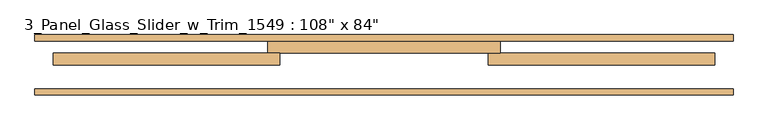
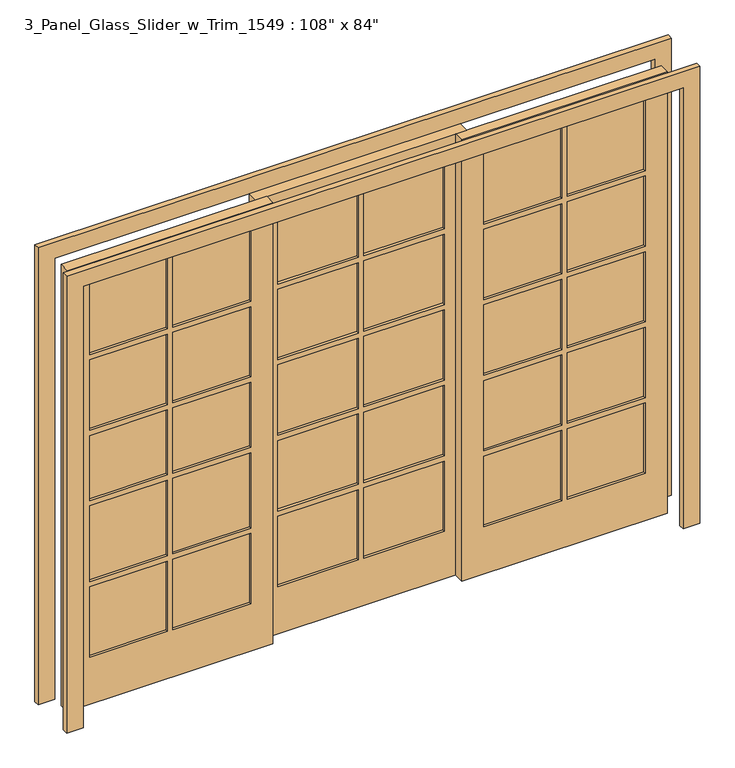
"""IFC4 building model written with IfcOpenShell, lengths in millimetres: door geometry."""

from ifc_helpers import new_model, si_unit, frame, origin, place, context, project, spatial, polyline, outline, extrude, source, transform, mapped, element, save


def door_32f54f40(model_context):
    return source(origin(), model_context, "Body", "SweptSolid", [
        extrude(outline(polyline([(-889.0, 163.2293121), (-533.4, 163.2293121), (-533.4, 138.6534681), (-889.0, 138.6534681), (-889.0, 163.2293121)])), frame((0.0, 0.0, 1691.64), z_axis=(0.0, 0.0, 1.0), x_axis=(1.0, 0.0, 0.0)), (0.0, 0.0, 1.0), 340.36),
        extrude(outline(polyline([(-889.0, 163.2293121), (-533.4, 163.2293121), (-533.4, 138.6534681), (-889.0, 138.6534681), (-889.0, 163.2293121)])), frame((0.0, 0.0, 1325.88), z_axis=(0.0, 0.0, 1.0), x_axis=(1.0, 0.0, 0.0)), (0.0, 0.0, 1.0), 340.36),
        extrude(outline(polyline([(-889.0, 163.2293121), (-533.4, 163.2293121), (-533.4, 138.6534681), (-889.0, 138.6534681), (-889.0, 163.2293121)])), frame((0.0, 0.0, 985.52), z_axis=(0.0, 0.0, 1.0), x_axis=(1.0, 0.0, 0.0)), (0.0, 0.0, 1.0), 314.96),
        extrude(outline(polyline([(-889.0, 163.2293121), (-533.4, 163.2293121), (-533.4, 138.6534681), (-889.0, 138.6534681), (-889.0, 163.2293121)])), frame((0.0, 0.0, 594.36), z_axis=(0.0, 0.0, 1.0), x_axis=(1.0, 0.0, 0.0)), (0.0, 0.0, 1.0), 365.76),
        extrude(outline(polyline([(-889.0, 163.2293121), (-533.4, 163.2293121), (-533.4, 138.6534681), (-889.0, 138.6534681), (-889.0, 163.2293121)])), frame((0.0, 0.0, 228.6), z_axis=(0.0, 0.0, 1.0), x_axis=(1.0, 0.0, 0.0)), (0.0, 0.0, 1.0), 340.36),
        extrude(outline(polyline([(-1270.0, 163.2293121), (-914.4, 163.2293121), (-914.4, 138.6534681), (-1270.0, 138.6534681), (-1270.0, 163.2293121)])), frame((0.0, 0.0, 228.6), z_axis=(0.0, 0.0, 1.0), x_axis=(1.0, 0.0, 0.0)), (0.0, 0.0, 1.0), 340.36),
        extrude(outline(polyline([(-1270.0, 163.2293121), (-914.4, 163.2293121), (-914.4, 138.6534681), (-1270.0, 138.6534681), (-1270.0, 163.2293121)])), frame((0.0, 0.0, 594.36), z_axis=(0.0, 0.0, 1.0), x_axis=(1.0, 0.0, 0.0)), (0.0, 0.0, 1.0), 365.76),
        extrude(outline(polyline([(-1270.0, 163.2293121), (-914.4, 163.2293121), (-914.4, 138.6534681), (-1270.0, 138.6534681), (-1270.0, 163.2293121)])), frame((0.0, 0.0, 985.52), z_axis=(0.0, 0.0, 1.0), x_axis=(1.0, 0.0, 0.0)), (0.0, 0.0, 1.0), 314.96),
        extrude(outline(polyline([(-1270.0, 163.2293121), (-914.4, 163.2293121), (-914.4, 138.6534681), (-1270.0, 138.6534681), (-1270.0, 163.2293121)])), frame((0.0, 0.0, 1325.88), z_axis=(0.0, 0.0, 1.0), x_axis=(1.0, 0.0, 0.0)), (0.0, 0.0, 1.0), 340.36),
        extrude(outline(polyline([(-1270.0, 163.2293121), (-914.4, 163.2293121), (-914.4, 138.6534681), (-1270.0, 138.6534681), (-1270.0, 163.2293121)])), frame((0.0, 0.0, 1691.64), z_axis=(0.0, 0.0, 1.0), x_axis=(1.0, 0.0, 0.0)), (0.0, 0.0, 1.0), 340.36),
        extrude(outline(polyline([(2133.6, -1371.6), (0.0, -1371.6), (0.0, -431.8), (2133.6, -431.8), (2133.6, -1371.6)]), holes=[polyline([(2032.0, -889.0), (2032.0, -533.4), (1691.64, -533.4), (1691.64, -889.0), (2032.0, -889.0)]), polyline([(1666.24, -889.0), (1666.24, -533.4), (1325.88, -533.4), (1325.88, -889.0), (1666.24, -889.0)]), polyline([(2032.0, -1270.0), (2032.0, -914.4), (1691.64, -914.4), (1691.64, -1270.0), (2032.0, -1270.0)]), polyline([(1666.24, -1270.0), (1666.24, -914.4), (1325.88, -914.4), (1325.88, -1270.0), (1666.24, -1270.0)]), polyline([(1300.48, -889.0), (1300.48, -533.4), (985.52, -533.4), (985.52, -889.0), (1300.48, -889.0)]), polyline([(960.12, -889.0), (960.12, -533.4), (594.36, -533.4), (594.36, -889.0), (960.12, -889.0)]), polyline([(568.96, -889.0), (568.96, -533.4), (228.6, -533.4), (228.6, -889.0), (568.96, -889.0)]), polyline([(228.6, -1270.0), (568.96, -1270.0), (568.96, -914.4), (228.6, -914.4), (228.6, -1270.0)]), polyline([(594.36, -914.4), (594.36, -1270.0), (960.12, -1270.0), (960.12, -914.4), (594.36, -914.4)]), polyline([(985.52, -1270.0), (1300.48, -1270.0), (1300.48, -914.4), (985.52, -914.4), (985.52, -1270.0)])]), frame((0.0, 127.0, 0.0), z_axis=(0.0, 1.0, 0.0), x_axis=(0.0, 0.0, 1.0)), (0.0, 0.0, 1.0), 49.2),
        extrude(outline(polyline([(914.4, 163.2293121), (1270.0, 163.2293121), (1270.0, 138.6534681), (914.4, 138.6534681), (914.4, 163.2293121)])), frame((0.0, 0.0, 1691.64), z_axis=(0.0, 0.0, 1.0), x_axis=(1.0, 0.0, 0.0)), (0.0, 0.0, 1.0), 340.36),
        extrude(outline(polyline([(533.4, 163.2293121), (889.0, 163.2293121), (889.0, 138.6534681), (533.4, 138.6534681), (533.4, 163.2293121)])), frame((0.0, 0.0, 1691.64), z_axis=(0.0, 0.0, 1.0), x_axis=(1.0, 0.0, 0.0)), (0.0, 0.0, 1.0), 340.36),
        extrude(outline(polyline([(914.4, 163.2293121), (1270.0, 163.2293121), (1270.0, 138.6534681), (914.4, 138.6534681), (914.4, 163.2293121)])), frame((0.0, 0.0, 1325.88), z_axis=(0.0, 0.0, 1.0), x_axis=(1.0, 0.0, 0.0)), (0.0, 0.0, 1.0), 340.36),
        extrude(outline(polyline([(533.4, 163.2293121), (889.0, 163.2293121), (889.0, 138.6534681), (533.4, 138.6534681), (533.4, 163.2293121)])), frame((0.0, 0.0, 1325.88), z_axis=(0.0, 0.0, 1.0), x_axis=(1.0, 0.0, 0.0)), (0.0, 0.0, 1.0), 340.36),
        extrude(outline(polyline([(914.4, 163.2293121), (1270.0, 163.2293121), (1270.0, 138.6534681), (914.4, 138.6534681), (914.4, 163.2293121)])), frame((0.0, 0.0, 960.12), z_axis=(0.0, 0.0, 1.0), x_axis=(1.0, 0.0, 0.0)), (0.0, 0.0, 1.0), 340.36),
        extrude(outline(polyline([(533.4, 163.2293121), (889.0, 163.2293121), (889.0, 138.6534681), (533.4, 138.6534681), (533.4, 163.2293121)])), frame((0.0, 0.0, 960.12), z_axis=(0.0, 0.0, 1.0), x_axis=(1.0, 0.0, 0.0)), (0.0, 0.0, 1.0), 340.36),
        extrude(outline(polyline([(914.4, 163.2293121), (1270.0, 163.2293121), (1270.0, 138.6534681), (914.4, 138.6534681), (914.4, 163.2293121)])), frame((0.0, 0.0, 594.36), z_axis=(0.0, 0.0, 1.0), x_axis=(1.0, 0.0, 0.0)), (0.0, 0.0, 1.0), 340.36),
        extrude(outline(polyline([(533.4, 163.2293121), (889.0, 163.2293121), (889.0, 138.6534681), (533.4, 138.6534681), (533.4, 163.2293121)])), frame((0.0, 0.0, 594.36), z_axis=(0.0, 0.0, 1.0), x_axis=(1.0, 0.0, 0.0)), (0.0, 0.0, 1.0), 340.36),
        extrude(outline(polyline([(914.4, 163.2293121), (1270.0, 163.2293121), (1270.0, 138.6534681), (914.4, 138.6534681), (914.4, 163.2293121)])), frame((0.0, 0.0, 228.6), z_axis=(0.0, 0.0, 1.0), x_axis=(1.0, 0.0, 0.0)), (0.0, 0.0, 1.0), 340.36),
        extrude(outline(polyline([(533.4, 163.2293121), (889.0, 163.2293121), (889.0, 138.6534681), (533.4, 138.6534681), (533.4, 163.2293121)])), frame((0.0, 0.0, 228.6), z_axis=(0.0, 0.0, 1.0), x_axis=(1.0, 0.0, 0.0)), (0.0, 0.0, 1.0), 340.36),
        extrude(outline(polyline([(-12.7, 188.9), (-381.0, 188.9), (-381.0, 212.0711448), (-12.7, 212.0711448), (-12.7, 188.9)])), frame((0.0, 0.0, 1691.64), z_axis=(0.0, 0.0, 1.0), x_axis=(1.0, 0.0, 0.0)), (0.0, 0.0, 1.0), 340.36),
        extrude(outline(polyline([(381.0, 188.9), (12.7, 188.9), (12.7, 212.0711448), (381.0, 212.0711448), (381.0, 188.9)])), frame((0.0, 0.0, 1691.64), z_axis=(0.0, 0.0, 1.0), x_axis=(1.0, 0.0, 0.0)), (0.0, 0.0, 1.0), 340.36),
        extrude(outline(polyline([(381.0, 188.9), (12.7, 188.9), (12.7, 212.0711448), (381.0, 212.0711448), (381.0, 188.9)])), frame((0.0, 0.0, 1325.88), z_axis=(0.0, 0.0, 1.0), x_axis=(1.0, 0.0, 0.0)), (0.0, 0.0, 1.0), 340.36),
        extrude(outline(polyline([(-12.7, 188.9), (-381.0, 188.9), (-381.0, 212.0711448), (-12.7, 212.0711448), (-12.7, 188.9)])), frame((0.0, 0.0, 1325.88), z_axis=(0.0, 0.0, 1.0), x_axis=(1.0, 0.0, 0.0)), (0.0, 0.0, 1.0), 340.36),
        extrude(outline(polyline([(381.0, 188.9), (12.7, 188.9), (12.7, 212.0711448), (381.0, 212.0711448), (381.0, 188.9)])), frame((0.0, 0.0, 960.12), z_axis=(0.0, 0.0, 1.0), x_axis=(1.0, 0.0, 0.0)), (0.0, 0.0, 1.0), 340.36),
        extrude(outline(polyline([(-12.7, 188.9), (-381.0, 188.9), (-381.0, 212.0711448), (-12.7, 212.0711448), (-12.7, 188.9)])), frame((0.0, 0.0, 960.12), z_axis=(0.0, 0.0, 1.0), x_axis=(1.0, 0.0, 0.0)), (0.0, 0.0, 1.0), 340.36),
        extrude(outline(polyline([(381.0, 188.9), (12.7, 188.9), (12.7, 212.0711448), (381.0, 212.0711448), (381.0, 188.9)])), frame((0.0, 0.0, 594.36), z_axis=(0.0, 0.0, 1.0), x_axis=(1.0, 0.0, 0.0)), (0.0, 0.0, 1.0), 340.36),
        extrude(outline(polyline([(-12.7, 188.9), (-381.0, 188.9), (-381.0, 212.0711448), (-12.7, 212.0711448), (-12.7, 188.9)])), frame((0.0, 0.0, 594.36), z_axis=(0.0, 0.0, 1.0), x_axis=(1.0, 0.0, 0.0)), (0.0, 0.0, 1.0), 340.36),
        extrude(outline(polyline([(-12.7, 188.9), (-381.0, 188.9), (-381.0, 212.0711448), (-12.7, 212.0711448), (-12.7, 188.9)])), frame((0.0, 0.0, 228.6), z_axis=(0.0, 0.0, 1.0), x_axis=(1.0, 0.0, 0.0)), (0.0, 0.0, 1.0), 340.36),
        extrude(outline(polyline([(381.0, 188.9), (12.7, 188.9), (12.7, 212.0711448), (381.0, 212.0711448), (381.0, 188.9)])), frame((0.0, 0.0, 228.6), z_axis=(0.0, 0.0, 1.0), x_axis=(1.0, 0.0, 0.0)), (0.0, 0.0, 1.0), 340.36),
        extrude(outline(polyline([(2133.6, -482.6), (0.0, -482.6), (0.0, 482.6), (2133.6, 482.6), (2133.6, -482.6)]), holes=[polyline([(228.6, -12.7), (228.6, -381.0), (568.96, -381.0), (568.96, -12.7), (228.6, -12.7)]), polyline([(1691.64, -381.0), (2032.0, -381.0), (2032.0, -12.7), (1691.64, -12.7), (1691.64, -381.0)]), polyline([(2032.0, 12.7), (2032.0, 381.0), (1691.64, 381.0), (1691.64, 12.7), (2032.0, 12.7)]), polyline([(568.96, 381.0), (228.6, 381.0), (228.6, 12.7), (568.96, 12.7), (568.96, 381.0)]), polyline([(1666.24, -12.7), (1325.88, -12.7), (1325.88, -381.0), (1666.24, -381.0), (1666.24, -12.7)]), polyline([(1300.48, -12.7), (960.12, -12.7), (960.12, -381.0), (1300.48, -381.0), (1300.48, -12.7)]), polyline([(934.72, -12.7), (594.36, -12.7), (594.36, -381.0), (934.72, -381.0), (934.72, -12.7)]), polyline([(1666.24, 381.0), (1325.88, 381.0), (1325.88, 12.7), (1666.24, 12.7), (1666.24, 381.0)]), polyline([(960.12, 12.7), (1300.48, 12.7), (1300.48, 381.0), (960.12, 381.0), (960.12, 12.7)]), polyline([(594.36, 12.7), (934.72, 12.7), (934.72, 381.0), (594.36, 381.0), (594.36, 12.7)])]), frame((0.0, 176.2, 0.0), z_axis=(0.0, 1.0, 0.0), x_axis=(0.0, 0.0, 1.0)), (0.0, 0.0, 1.0), 50.8),
        extrude(outline(polyline([(2133.6, 431.8), (0.0, 431.8), (0.0, 1371.6), (2133.6, 1371.6), (2133.6, 431.8)]), holes=[polyline([(2032.0, 914.4), (2032.0, 1270.0), (1691.64, 1270.0), (1691.64, 914.4), (2032.0, 914.4)]), polyline([(568.96, 1270.0), (228.6, 1270.0), (228.6, 914.4), (568.96, 914.4), (568.96, 1270.0)]), polyline([(228.6, 889.0), (228.6, 533.4), (568.96, 533.4), (568.96, 889.0), (228.6, 889.0)]), polyline([(1691.64, 533.4), (2032.0, 533.4), (2032.0, 889.0), (1691.64, 889.0), (1691.64, 533.4)]), polyline([(1666.24, 914.4), (1666.24, 1270.0), (1325.88, 1270.0), (1325.88, 914.4), (1666.24, 914.4)]), polyline([(1300.48, 914.4), (1300.48, 1270.0), (960.12, 1270.0), (960.12, 914.4), (1300.48, 914.4)]), polyline([(960.12, 889.0), (960.12, 533.4), (1300.48, 533.4), (1300.48, 889.0), (960.12, 889.0)]), polyline([(934.72, 889.0), (594.36, 889.0), (594.36, 533.4), (934.72, 533.4), (934.72, 889.0)]), polyline([(594.36, 914.4), (934.72, 914.4), (934.72, 1270.0), (594.36, 1270.0), (594.36, 914.4)]), polyline([(1325.88, 533.4), (1666.24, 533.4), (1666.24, 889.0), (1325.88, 889.0), (1325.88, 533.4)])]), frame((0.0, 127.0, 0.0), z_axis=(0.0, 1.0, 0.0), x_axis=(0.0, 0.0, 1.0)), (0.0, 0.0, 1.0), 49.2),
        extrude(outline(polyline([(0.0, -1447.8), (0.0, -1371.6), (2133.6, -1371.6), (2133.6, 1371.6), (0.0, 1371.6), (0.0, 1447.8), (2209.8, 1447.8), (2209.8, -1447.8), (0.0, -1447.8)])), frame((0.0, 1.6, 0.0), z_axis=(0.0, 1.0, 0.0), x_axis=(0.0, 0.0, 1.0)), (0.0, 0.0, 1.0), 25.4),
        extrude(outline(polyline([(0.0, 1447.8), (2209.8, 1447.8), (2209.8, -1447.8), (0.0, -1447.8), (0.0, -1371.6), (2133.6, -1371.6), (2133.6, 1371.6), (0.0, 1371.6), (0.0, 1447.8)])), frame((0.0, 227.0, 0.0), z_axis=(0.0, 1.0, 0.0), x_axis=(0.0, 0.0, 1.0)), (0.0, 0.0, 1.0), 25.4),
    ])


if __name__ == "__main__":
    model = new_model("IFC4")
    model_context = context("Model", 3, world=origin())
    ifc_project = project(units=[si_unit("LENGTHUNIT", "METRE", prefix="MILLI")], contexts=[model_context])
    site = spatial("IfcSite", under=ifc_project)
    building = spatial("IfcBuilding", under=site)
    placement = place(None, origin())
    door_shape = door_32f54f40(model_context)
    element("IfcDoor", 1, ObjectType="3_Panel_Glass_Slider_w_Trim_1549 : 108\" x 84\"", at=placement, inside=building, context=model_context, shape_type="MappedRepresentation", body=[
        mapped(door_shape, transform((0.0, 0.0, 0.0), x_axis=(1.0, 0.0, 0.0), y_axis=(0.0, 1.0, 0.0), z_axis=(0.0, 0.0, 1.0))),
    ])
    save(model, "model.ifc")
